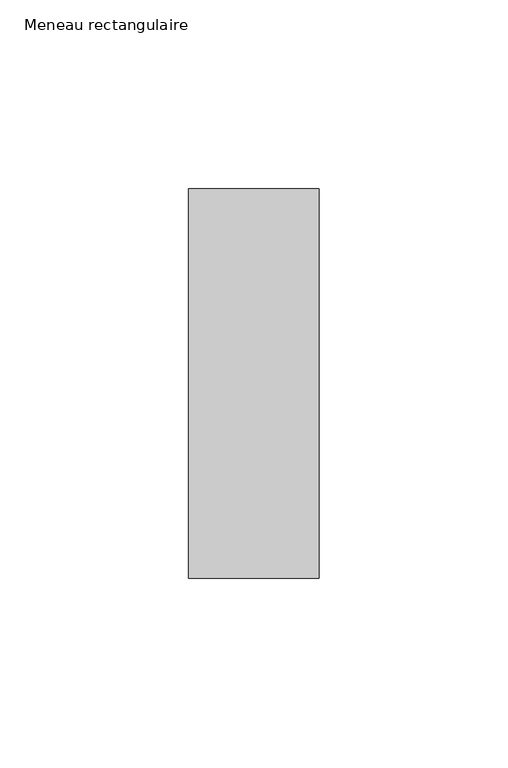
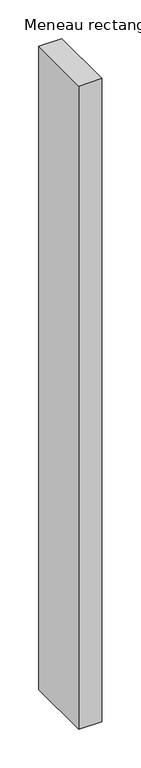
"""IFC4 building model written with IfcOpenShell, lengths in millimetres: member geometry, Meneau rectangulaire."""

from ifc_helpers import new_model, si_unit, frame, origin, place, context, project, spatial, polyline, outline, extrude, source, transform, mapped, element, save


def meneau_rectangulaire_dc35bc29(model_context):
    return source(origin(), model_context, "Body", "SweptSolid", [
        extrude(outline(polyline([(0.0, 51.5), (0.0, -51.5), (-34.5, -51.5), (-34.5, 51.5), (0.0, 51.5)])), frame((0.0, 0.0, -1013.1330689), z_axis=(0.0, 0.0, 1.0), x_axis=(1.0, 0.0, 0.0)), (0.0, 0.0, 1.0), 1013.1330689),
    ])


if __name__ == "__main__":
    model = new_model("IFC4")
    model_context = context("Model", 3, world=origin())
    ifc_project = project(units=[si_unit("LENGTHUNIT", "METRE", prefix="MILLI")], contexts=[model_context])
    site = spatial("IfcSite", under=ifc_project)
    building = spatial("IfcBuilding", under=site)
    placement = place(None, origin())
    meneau_rectangulaire_shape = meneau_rectangulaire_dc35bc29(model_context)
    element("IfcMember", 1, ObjectType="Meneau rectangulaire", at=placement, inside=building, context=model_context, shape_type="MappedRepresentation", body=[
        mapped(meneau_rectangulaire_shape, transform((0.0, 0.0, 0.0), x_axis=(1.0, 0.0, 0.0), y_axis=(0.0, 1.0, 0.0), z_axis=(0.0, 0.0, 1.0))),
    ])
    save(model, "model.ifc")
